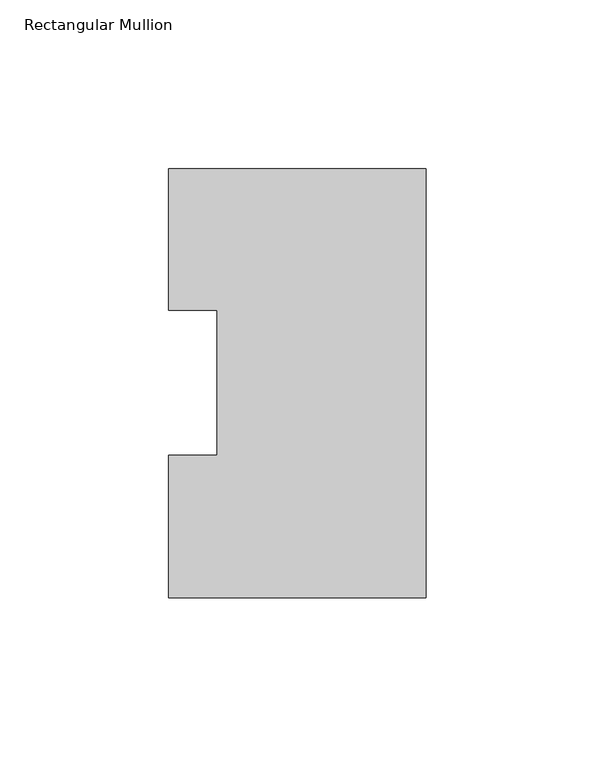
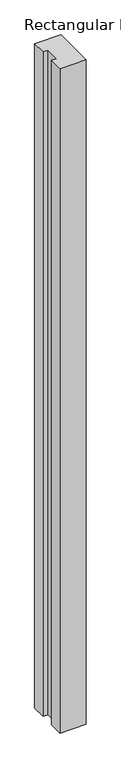
"""IFC4 building model written with IfcOpenShell, lengths in millimetres: member geometry, Rectangular Mullion."""

import ifcopenshell
import ifcopenshell.guid

model = None  # the IFC model being written
_history = None  # IfcOwnerHistory: only IFC2X3 demands one
_inside = {}  # id of a spatial element -> (the spatial element, [elements in it])
_under = {}  # id of a project, library or spatial element -> (it, [spatial elements below it])
_declared = {}  # id of a project -> (the project, [libraries it declares])
_typed = {}  # id of a type object -> (the type object, [elements of that type])
_made_of = {}  # id of a material, layer set ... -> (it, [elements and type objects made of it])


def new_model(schema):
    """Start an empty IFC model of exactly this schema.

    Asked for "IFC4X3", IfcOpenShell would pick the latest addendum, in which some entities
    have other attributes; the version numbers below select the first issue.
    IFC2X3 requires an IfcOwnerHistory on every rooted entity: one is made here for all.
    """
    global model, _history
    if schema == "IFC4X3":
        model = ifcopenshell.file(schema_version=(4, 3, 0, 0))
    else:
        model = ifcopenshell.file(schema=schema)
    _inside.clear()
    _under.clear()
    _declared.clear()
    _typed.clear()
    _made_of.clear()
    _history = None
    if model.schema == "IFC2X3":
        org = make("IfcOrganization", Name="unknown")
        user = make(
            "IfcPersonAndOrganization",
            ThePerson=make("IfcPerson", FamilyName="unknown"),
            TheOrganization=org,
        )
        app = make(
            "IfcApplication",
            ApplicationDeveloper=org,
            Version="unknown",
            ApplicationFullName="unknown",
            ApplicationIdentifier="unknown",
        )
        _history = make(
            "IfcOwnerHistory",
            OwningUser=user,
            OwningApplication=app,
            ChangeAction="ADDED",
            CreationDate=0,
        )
    return model


def make(cls, **values):
    """One entity of the class cls with the attributes given. An attribute that is None is left unset."""
    return model.create_entity(
        cls, **{name: value for name, value in values.items() if value is not None}
    )


def rooted(cls, **values):
    """An entity with a GlobalId (a new one), such as an element, a storey or a relation."""
    return make(cls, GlobalId=ifcopenshell.guid.new(), OwnerHistory=_history, **values)


def si_unit(unit_type, name, prefix=None):
    """IfcSIUnit, for example si_unit("LENGTHUNIT", "METRE", prefix="MILLI")."""
    return make("IfcSIUnit", UnitType=unit_type, Prefix=prefix, Name=name)


def assignment(units):
    """IfcUnitAssignment: the units of a project."""
    return None if units is None else make("IfcUnitAssignment", Units=units)


def point(xyz):
    """IfcCartesianPoint."""
    return None if xyz is None else make("IfcCartesianPoint", Coordinates=xyz)


def direction(xyz):
    """IfcDirection."""
    return None if xyz is None else make("IfcDirection", DirectionRatios=xyz)


def frame(location, z_axis=None, x_axis=None):
    """IfcAxis2Placement3D, a coordinate frame: its origin and axes. An axis left out is left unset."""
    return make(
        "IfcAxis2Placement3D",
        Location=point(location),
        Axis=direction(z_axis),
        RefDirection=direction(x_axis),
    )


def origin():
    """The frame at (0, 0, 0) with its axes left unset."""
    return frame((0.0, 0.0, 0.0))


def place(relative_to, where):
    """IfcLocalPlacement: puts the frame where relative to a parent placement (None: the world)."""
    return make(
        "IfcLocalPlacement", PlacementRelTo=relative_to, RelativePlacement=where
    )


def context(
    kind, dimensions, precision=None, world=None, true_north=None, identifier=None
):
    """IfcGeometricRepresentationContext, for example the 3D "Model" context."""
    return make(
        "IfcGeometricRepresentationContext",
        ContextIdentifier=identifier,
        ContextType=kind,
        CoordinateSpaceDimension=dimensions,
        Precision=precision,
        WorldCoordinateSystem=world,
        TrueNorth=true_north,
    )


def project(units=None, contexts=None):
    """IfcProject with its units and contexts."""
    return rooted(
        "IfcProject",
        Name="project",
        RepresentationContexts=contexts,
        UnitsInContext=assignment(units),
    )


def spatial(cls, under=None, at=None, **own):
    """A site, building, storey or space (cls), placed at a placement, below another one or the project."""
    s = rooted(cls, ObjectPlacement=at, **own)
    if under is not None:
        _under.setdefault(under.id(), (under, []))[1].append(s)
    return s


def polyline(points):
    """IfcPolyline through the points."""
    return make("IfcPolyline", Points=[point(p) for p in points])


def outline(outer, holes=None, kind="AREA"):
    """IfcArbitraryClosedProfileDef: a profile drawn as a closed curve; with holes, ...WithVoids."""
    if holes is None:
        return make("IfcArbitraryClosedProfileDef", ProfileType=kind, OuterCurve=outer)
    return make(
        "IfcArbitraryProfileDefWithVoids",
        ProfileType=kind,
        OuterCurve=outer,
        InnerCurves=holes,
    )


def extrude(swept, where, along, depth):
    """IfcExtrudedAreaSolid: the profile swept, set in the frame where, extruded along a direction by depth."""
    return make(
        "IfcExtrudedAreaSolid",
        SweptArea=swept,
        Position=where,
        ExtrudedDirection=direction(along),
        Depth=depth,
    )


def shape(context_of_items, identifier, shape_type, items):
    """IfcShapeRepresentation: the items that make up one representation, for example the "Body"."""
    return make(
        "IfcShapeRepresentation",
        ContextOfItems=context_of_items,
        RepresentationIdentifier=identifier,
        RepresentationType=shape_type,
        Items=items,
    )


def source(mapping_origin, context_of_items, identifier, shape_type, items):
    """IfcRepresentationMap: a shape defined once, which mapped items show again and again."""
    return make(
        "IfcRepresentationMap",
        MappingOrigin=mapping_origin,
        MappedRepresentation=shape(context_of_items, identifier, shape_type, items),
    )


def transform(
    local_origin,
    x_axis=None,
    y_axis=None,
    z_axis=None,
    scale=None,
    scale2=None,
    scale3=None,
    uniform=True,
):
    """IfcCartesianTransformationOperator3D, or its non-uniform kind. x_axis, y_axis, z_axis: its Axis1, 2, 3."""
    if uniform:
        return make(
            "IfcCartesianTransformationOperator3D",
            Axis1=direction(x_axis),
            Axis2=direction(y_axis),
            LocalOrigin=point(local_origin),
            Scale=scale,
            Axis3=direction(z_axis),
        )
    return make(
        "IfcCartesianTransformationOperator3DnonUniform",
        Axis1=direction(x_axis),
        Axis2=direction(y_axis),
        LocalOrigin=point(local_origin),
        Scale=scale,
        Axis3=direction(z_axis),
        Scale2=scale2,
        Scale3=scale3,
    )


def mapped(mapping_source, mapping_target):
    """IfcMappedItem: shows the shape of a source again, moved by a transform."""
    return make(
        "IfcMappedItem", MappingSource=mapping_source, MappingTarget=mapping_target
    )


def made_of(thing, what):
    """Note that an element or type object is made of a material, layer set ...; save() writes the relation."""
    if what is not None:
        _made_of.setdefault(what.id(), (what, []))[1].append(thing)
    return thing


def element(
    cls,
    number,
    at=None,
    inside=None,
    cuts=None,
    type_object=None,
    material=None,
    context=None,
    identifier="Body",
    shape_type=None,
    held_by="IfcProductDefinitionShape",
    body=None,
    shapes=None,
    **own,
):
    """One element of the class cls, such as IfcWall. Its Tag is "e" and its number.

    at: its placement. inside: the storey or other place that contains it. cuts: it is an
    opening in that element (IfcRelVoidsElement). A single representation is given by context,
    identifier, shape_type and body (its items); several are given by shapes. held_by: the class
    of the entity that holds the representations. save() writes the other relations.
    """
    e = rooted(cls, Tag="e%d" % number, ObjectPlacement=at, **own)
    if body is not None:
        shapes = [shape(context, identifier, shape_type, body)]
    if shapes is not None:
        e.Representation = make(held_by, Representations=shapes)
    if inside is not None:
        _inside.setdefault(inside.id(), (inside, []))[1].append(e)
    if cuts is not None:
        rooted(
            "IfcRelVoidsElement", RelatingBuildingElement=cuts, RelatedOpeningElement=e
        )
    if type_object is not None:
        _typed.setdefault(type_object.id(), (type_object, []))[1].append(e)
    return made_of(e, material)


def aggregate(whole, parts):
    """IfcRelAggregates: a whole, such as a stair, and the parts it consists of."""
    return rooted("IfcRelAggregates", RelatingObject=whole, RelatedObjects=parts)


def save(model, path):
    """Write the relations noted so far, then the file.

    IfcRelAggregates (storeys below a building ...), IfcRelContainedInSpatialStructure (elements
    in a storey), IfcRelDefinesByType, IfcRelAssociatesMaterial and IfcRelDeclares: one each for
    every whole, place, type object, material and project.
    """
    for whole, parts in _under.values():
        aggregate(whole, parts)
    for where, things in _inside.values():
        rooted(
            "IfcRelContainedInSpatialStructure",
            RelatedElements=things,
            RelatingStructure=where,
        )
    for kind, things in _typed.values():
        rooted("IfcRelDefinesByType", RelatedObjects=things, RelatingType=kind)
    for what, things in _made_of.values():
        rooted("IfcRelAssociatesMaterial", RelatedObjects=things, RelatingMaterial=what)
    for by, libraries in _declared.values():
        rooted("IfcRelDeclares", RelatingContext=by, RelatedDefinitions=libraries)
    model.write(path)


def rectangular_mullion_9f15c651(model_context):
    return source(origin(), model_context, "Body", "SweptSolid", [
        extrude(outline(polyline([(0.0, 126.9888875), (0.0, -0.0111125), (-76.1994574, -0.0111125), (-76.1994574, 42.2798875), (-61.9139549, 42.2798875), (-61.9139549, 85.1296875), (-76.1994574, 85.1296875), (-76.1994574, 126.9888875), (0.0, 126.9888875)])), frame((0.0, 0.0, -2044.4591858), z_axis=(0.0, 0.0, 1.0), x_axis=(1.0, 0.0, 0.0)), (0.0, 0.0, 1.0), 2044.4591858),
    ])


if __name__ == "__main__":
    model = new_model("IFC4")
    model_context = context("Model", 3, world=origin())
    ifc_project = project(units=[si_unit("LENGTHUNIT", "METRE", prefix="MILLI")], contexts=[model_context])
    site = spatial("IfcSite", under=ifc_project)
    building = spatial("IfcBuilding", under=site)
    placement = place(None, origin())
    rectangular_mullion_shape = rectangular_mullion_9f15c651(model_context)
    element("IfcMember", 1, ObjectType="Rectangular Mullion", at=placement, inside=building, context=model_context, shape_type="MappedRepresentation", body=[
        mapped(rectangular_mullion_shape, transform((0.0, 0.0, 0.0), x_axis=(1.0, 0.0, 0.0), y_axis=(0.0, 1.0, 0.0), z_axis=(0.0, 0.0, 1.0))),
    ])
    save(model, "model.ifc")
